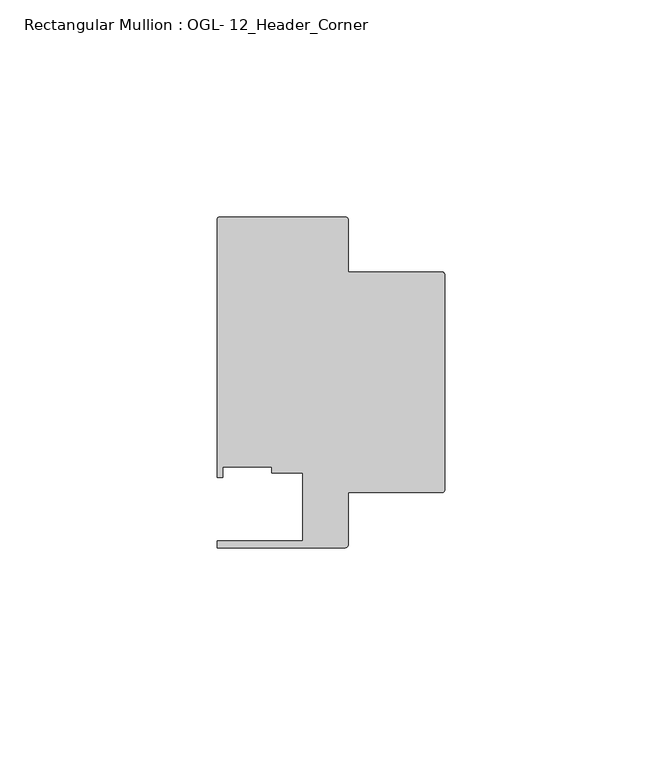
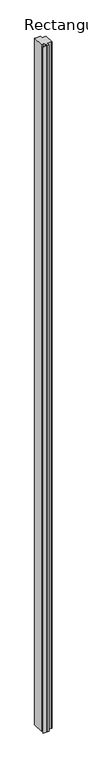
"""IFC4 building model written with IfcOpenShell, lengths in millimetres: member geometry, Rectangular Mullion : OGL- 12_Header_Corner."""

from ifc_helpers import new_model, si_unit, point, frame, frame_2d, origin, place, context, project, spatial, polyline, circle_curve, trimmed, segment, composite_curve, outline, extrude, source, transform, mapped, element, save


def rectangular_mullion_ogl_12_header_corner_26d774ea(model_context):
    return source(origin(), model_context, "Body", "SweptSolid", [
        extrude(outline(composite_curve([segment(trimmed(circle_curve(frame_2d((-0.5953125, 54.9671875)), 0.5953125), [point((-0.5953125, 55.5625))], [point((0.0, 54.9671875))], False, "CARTESIAN"), True, "CONTINUOUS"), segment(polyline([(0.0, 54.9671875), (0.0, 5.3578125)]), True, "CONTINUOUS"), segment(trimmed(circle_curve(frame_2d((-0.5953125, 5.3578125)), 0.5953125), [point((0.0, 5.3578125))], [point((-0.5953125, 4.7625))], False, "CARTESIAN"), True, "CONTINUOUS"), segment(polyline([(-0.5953125, 4.7625), (-22.2332898, 4.7625), (-22.2332898, -7.294459)]), True, "CONTINUOUS"), segment(trimmed(circle_curve(frame_2d((-22.8763468, -7.294459)), 0.643057), [point((-22.2332898, -7.294459))], [point((-22.8763468, -7.937516))], False, "CARTESIAN"), True, "CONTINUOUS"), segment(polyline([(-22.8763468, -7.937516), (-52.3830881, -7.937516), (-52.3830881, -6.350016), (-32.730302, -6.350016), (-32.730302, 9.3367652), (-39.7567771, 9.3367652), (-39.7567771, 10.6800725), (-51.1362531, 10.6800725), (-51.1362531, 8.1914024), (-52.3921824, 8.1914024), (-52.3921824, 67.6668667)]), True, "CONTINUOUS"), segment(trimmed(circle_curve(frame_2d((-51.7968699, 67.6668667)), 0.5953125), [point((-52.3921824, 67.6668667))], [point((-51.7968699, 68.2621792))], False, "CARTESIAN"), True, "CONTINUOUS"), segment(polyline([(-51.7968699, 68.2621792), (-22.8286023, 68.2621792)]), True, "CONTINUOUS"), segment(trimmed(circle_curve(frame_2d((-22.8286023, 67.6668667)), 0.5953125), [point((-22.8286023, 68.2621792))], [point((-22.2332898, 67.6668667))], False, "CARTESIAN"), True, "CONTINUOUS"), segment(polyline([(-22.2332898, 67.6668667), (-22.2332898, 55.5625), (-0.5953125, 55.5625)]), True, "CONTINUOUS")], self_intersect=False)), frame((0.0, 0.0, -3763.9660402), z_axis=(0.0, 0.0, 1.0), x_axis=(1.0, 0.0, 0.0)), (0.0, 0.0, 1.0), 3763.9660402),
    ])


if __name__ == "__main__":
    model = new_model("IFC4")
    model_context = context("Model", 3, world=origin())
    ifc_project = project(units=[si_unit("LENGTHUNIT", "METRE", prefix="MILLI")], contexts=[model_context])
    site = spatial("IfcSite", under=ifc_project)
    building = spatial("IfcBuilding", under=site)
    placement = place(None, origin())
    rectangular_mullion_ogl_12_header_corner_shape = rectangular_mullion_ogl_12_header_corner_26d774ea(model_context)
    element("IfcMember", 1, ObjectType="Rectangular Mullion : OGL- 12_Header_Corner", at=placement, inside=building, context=model_context, shape_type="MappedRepresentation", body=[
        mapped(rectangular_mullion_ogl_12_header_corner_shape, transform((0.0, 0.0, 0.0), x_axis=(1.0, 0.0, 0.0), y_axis=(0.0, 1.0, 0.0), z_axis=(0.0, 0.0, 1.0))),
    ])
    save(model, "model.ifc")
